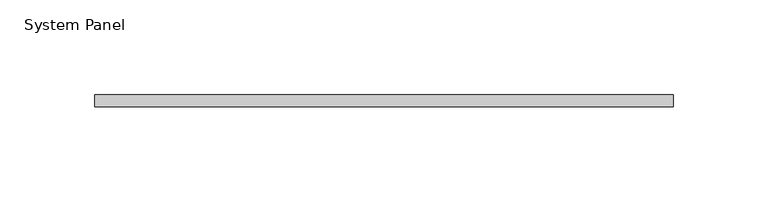
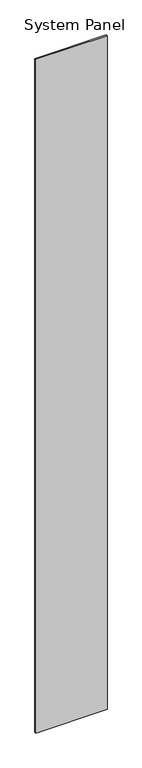
"""IFC4 building model written with IfcOpenShell, lengths in millimetres: plate geometry, System Panel."""

from ifc_helpers import new_model, si_unit, origin, origin_with_axes, place, context, project, spatial, polyline, outline, extrude, source, transform, mapped, element, save


def system_panel_ec573185(model_context):
    return source(origin(), model_context, "Body", "SweptSolid", [
        extrude(outline(polyline([(152.4270262, -6.35), (-152.4270262, -6.35), (-152.4270262, 0.0), (152.4270262, 0.0), (152.4270262, -6.35)])), origin_with_axes(), (0.0, 0.0, 1.0), 3048.0),
    ])


if __name__ == "__main__":
    model = new_model("IFC4")
    model_context = context("Model", 3, world=origin())
    ifc_project = project(units=[si_unit("LENGTHUNIT", "METRE", prefix="MILLI")], contexts=[model_context])
    site = spatial("IfcSite", under=ifc_project)
    building = spatial("IfcBuilding", under=site)
    placement = place(None, origin())
    system_panel_shape = system_panel_ec573185(model_context)
    element("IfcPlate", 1, ObjectType="System Panel", at=placement, inside=building, context=model_context, shape_type="MappedRepresentation", body=[
        mapped(system_panel_shape, transform((0.0, 0.0, 0.0), x_axis=(1.0, 0.0, 0.0), y_axis=(0.0, 1.0, 0.0), z_axis=(0.0, 0.0, 1.0))),
    ])
    save(model, "model.ifc")
